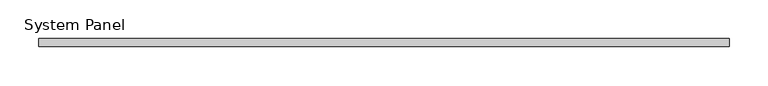
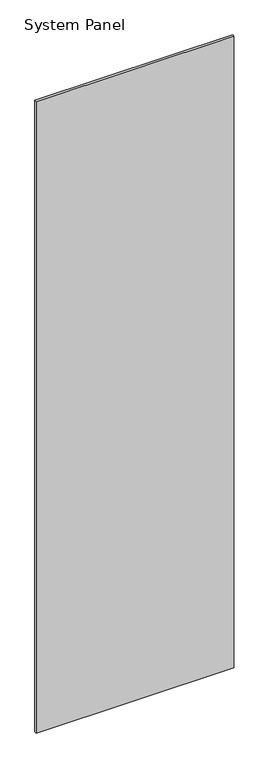
"""IFC4 building model written with IfcOpenShell, lengths in millimetres: plate geometry, System Panel."""

import ifcopenshell
import ifcopenshell.guid

model = None  # the IFC model being written
_history = None  # IfcOwnerHistory: only IFC2X3 demands one
_inside = {}  # id of a spatial element -> (the spatial element, [elements in it])
_under = {}  # id of a project, library or spatial element -> (it, [spatial elements below it])
_declared = {}  # id of a project -> (the project, [libraries it declares])
_typed = {}  # id of a type object -> (the type object, [elements of that type])
_made_of = {}  # id of a material, layer set ... -> (it, [elements and type objects made of it])


def new_model(schema):
    """Start an empty IFC model of exactly this schema.

    Asked for "IFC4X3", IfcOpenShell would pick the latest addendum, in which some entities
    have other attributes; the version numbers below select the first issue.
    IFC2X3 requires an IfcOwnerHistory on every rooted entity: one is made here for all.
    """
    global model, _history
    if schema == "IFC4X3":
        model = ifcopenshell.file(schema_version=(4, 3, 0, 0))
    else:
        model = ifcopenshell.file(schema=schema)
    _inside.clear()
    _under.clear()
    _declared.clear()
    _typed.clear()
    _made_of.clear()
    _history = None
    if model.schema == "IFC2X3":
        org = make("IfcOrganization", Name="unknown")
        user = make(
            "IfcPersonAndOrganization",
            ThePerson=make("IfcPerson", FamilyName="unknown"),
            TheOrganization=org,
        )
        app = make(
            "IfcApplication",
            ApplicationDeveloper=org,
            Version="unknown",
            ApplicationFullName="unknown",
            ApplicationIdentifier="unknown",
        )
        _history = make(
            "IfcOwnerHistory",
            OwningUser=user,
            OwningApplication=app,
            ChangeAction="ADDED",
            CreationDate=0,
        )
    return model


def make(cls, **values):
    """One entity of the class cls with the attributes given. An attribute that is None is left unset."""
    return model.create_entity(
        cls, **{name: value for name, value in values.items() if value is not None}
    )


def rooted(cls, **values):
    """An entity with a GlobalId (a new one), such as an element, a storey or a relation."""
    return make(cls, GlobalId=ifcopenshell.guid.new(), OwnerHistory=_history, **values)


def si_unit(unit_type, name, prefix=None):
    """IfcSIUnit, for example si_unit("LENGTHUNIT", "METRE", prefix="MILLI")."""
    return make("IfcSIUnit", UnitType=unit_type, Prefix=prefix, Name=name)


def assignment(units):
    """IfcUnitAssignment: the units of a project."""
    return None if units is None else make("IfcUnitAssignment", Units=units)


def point(xyz):
    """IfcCartesianPoint."""
    return None if xyz is None else make("IfcCartesianPoint", Coordinates=xyz)


def direction(xyz):
    """IfcDirection."""
    return None if xyz is None else make("IfcDirection", DirectionRatios=xyz)


def frame(location, z_axis=None, x_axis=None):
    """IfcAxis2Placement3D, a coordinate frame: its origin and axes. An axis left out is left unset."""
    return make(
        "IfcAxis2Placement3D",
        Location=point(location),
        Axis=direction(z_axis),
        RefDirection=direction(x_axis),
    )


def origin():
    """The frame at (0, 0, 0) with its axes left unset."""
    return frame((0.0, 0.0, 0.0))


def origin_with_axes():
    """The frame at (0, 0, 0) with the z axis (0, 0, 1) and the x axis (1, 0, 0) written out."""
    return frame((0.0, 0.0, 0.0), z_axis=(0.0, 0.0, 1.0), x_axis=(1.0, 0.0, 0.0))


def place(relative_to, where):
    """IfcLocalPlacement: puts the frame where relative to a parent placement (None: the world)."""
    return make(
        "IfcLocalPlacement", PlacementRelTo=relative_to, RelativePlacement=where
    )


def context(
    kind, dimensions, precision=None, world=None, true_north=None, identifier=None
):
    """IfcGeometricRepresentationContext, for example the 3D "Model" context."""
    return make(
        "IfcGeometricRepresentationContext",
        ContextIdentifier=identifier,
        ContextType=kind,
        CoordinateSpaceDimension=dimensions,
        Precision=precision,
        WorldCoordinateSystem=world,
        TrueNorth=true_north,
    )


def project(units=None, contexts=None):
    """IfcProject with its units and contexts."""
    return rooted(
        "IfcProject",
        Name="project",
        RepresentationContexts=contexts,
        UnitsInContext=assignment(units),
    )


def spatial(cls, under=None, at=None, **own):
    """A site, building, storey or space (cls), placed at a placement, below another one or the project."""
    s = rooted(cls, ObjectPlacement=at, **own)
    if under is not None:
        _under.setdefault(under.id(), (under, []))[1].append(s)
    return s


def polyline(points):
    """IfcPolyline through the points."""
    return make("IfcPolyline", Points=[point(p) for p in points])


def outline(outer, holes=None, kind="AREA"):
    """IfcArbitraryClosedProfileDef: a profile drawn as a closed curve; with holes, ...WithVoids."""
    if holes is None:
        return make("IfcArbitraryClosedProfileDef", ProfileType=kind, OuterCurve=outer)
    return make(
        "IfcArbitraryProfileDefWithVoids",
        ProfileType=kind,
        OuterCurve=outer,
        InnerCurves=holes,
    )


def extrude(swept, where, along, depth):
    """IfcExtrudedAreaSolid: the profile swept, set in the frame where, extruded along a direction by depth."""
    return make(
        "IfcExtrudedAreaSolid",
        SweptArea=swept,
        Position=where,
        ExtrudedDirection=direction(along),
        Depth=depth,
    )


def shape(context_of_items, identifier, shape_type, items):
    """IfcShapeRepresentation: the items that make up one representation, for example the "Body"."""
    return make(
        "IfcShapeRepresentation",
        ContextOfItems=context_of_items,
        RepresentationIdentifier=identifier,
        RepresentationType=shape_type,
        Items=items,
    )


def source(mapping_origin, context_of_items, identifier, shape_type, items):
    """IfcRepresentationMap: a shape defined once, which mapped items show again and again."""
    return make(
        "IfcRepresentationMap",
        MappingOrigin=mapping_origin,
        MappedRepresentation=shape(context_of_items, identifier, shape_type, items),
    )


def transform(
    local_origin,
    x_axis=None,
    y_axis=None,
    z_axis=None,
    scale=None,
    scale2=None,
    scale3=None,
    uniform=True,
):
    """IfcCartesianTransformationOperator3D, or its non-uniform kind. x_axis, y_axis, z_axis: its Axis1, 2, 3."""
    if uniform:
        return make(
            "IfcCartesianTransformationOperator3D",
            Axis1=direction(x_axis),
            Axis2=direction(y_axis),
            LocalOrigin=point(local_origin),
            Scale=scale,
            Axis3=direction(z_axis),
        )
    return make(
        "IfcCartesianTransformationOperator3DnonUniform",
        Axis1=direction(x_axis),
        Axis2=direction(y_axis),
        LocalOrigin=point(local_origin),
        Scale=scale,
        Axis3=direction(z_axis),
        Scale2=scale2,
        Scale3=scale3,
    )


def mapped(mapping_source, mapping_target):
    """IfcMappedItem: shows the shape of a source again, moved by a transform."""
    return make(
        "IfcMappedItem", MappingSource=mapping_source, MappingTarget=mapping_target
    )


def made_of(thing, what):
    """Note that an element or type object is made of a material, layer set ...; save() writes the relation."""
    if what is not None:
        _made_of.setdefault(what.id(), (what, []))[1].append(thing)
    return thing


def element(
    cls,
    number,
    at=None,
    inside=None,
    cuts=None,
    type_object=None,
    material=None,
    context=None,
    identifier="Body",
    shape_type=None,
    held_by="IfcProductDefinitionShape",
    body=None,
    shapes=None,
    **own,
):
    """One element of the class cls, such as IfcWall. Its Tag is "e" and its number.

    at: its placement. inside: the storey or other place that contains it. cuts: it is an
    opening in that element (IfcRelVoidsElement). A single representation is given by context,
    identifier, shape_type and body (its items); several are given by shapes. held_by: the class
    of the entity that holds the representations. save() writes the other relations.
    """
    e = rooted(cls, Tag="e%d" % number, ObjectPlacement=at, **own)
    if body is not None:
        shapes = [shape(context, identifier, shape_type, body)]
    if shapes is not None:
        e.Representation = make(held_by, Representations=shapes)
    if inside is not None:
        _inside.setdefault(inside.id(), (inside, []))[1].append(e)
    if cuts is not None:
        rooted(
            "IfcRelVoidsElement", RelatingBuildingElement=cuts, RelatedOpeningElement=e
        )
    if type_object is not None:
        _typed.setdefault(type_object.id(), (type_object, []))[1].append(e)
    return made_of(e, material)


def aggregate(whole, parts):
    """IfcRelAggregates: a whole, such as a stair, and the parts it consists of."""
    return rooted("IfcRelAggregates", RelatingObject=whole, RelatedObjects=parts)


def save(model, path):
    """Write the relations noted so far, then the file.

    IfcRelAggregates (storeys below a building ...), IfcRelContainedInSpatialStructure (elements
    in a storey), IfcRelDefinesByType, IfcRelAssociatesMaterial and IfcRelDeclares: one each for
    every whole, place, type object, material and project.
    """
    for whole, parts in _under.values():
        aggregate(whole, parts)
    for where, things in _inside.values():
        rooted(
            "IfcRelContainedInSpatialStructure",
            RelatedElements=things,
            RelatingStructure=where,
        )
    for kind, things in _typed.values():
        rooted("IfcRelDefinesByType", RelatedObjects=things, RelatingType=kind)
    for what, things in _made_of.values():
        rooted("IfcRelAssociatesMaterial", RelatedObjects=things, RelatingMaterial=what)
    for by, libraries in _declared.values():
        rooted("IfcRelDeclares", RelatingContext=by, RelatedDefinitions=libraries)
    model.write(path)


def system_panel_396966ff(model_context):
    return source(origin(), model_context, "Body", "SweptSolid", [
        extrude(outline(polyline([(442.805, -5.0), (-442.805, -5.0), (-442.805, 5.0), (442.805, 5.0), (442.805, -5.0)])), origin_with_axes(), (0.0, 0.0, 1.0), 2991.6097048),
    ])


if __name__ == "__main__":
    model = new_model("IFC4")
    model_context = context("Model", 3, world=origin())
    ifc_project = project(units=[si_unit("LENGTHUNIT", "METRE", prefix="MILLI")], contexts=[model_context])
    site = spatial("IfcSite", under=ifc_project)
    building = spatial("IfcBuilding", under=site)
    placement = place(None, origin())
    system_panel_shape = system_panel_396966ff(model_context)
    element("IfcPlate", 1, ObjectType="System Panel", at=placement, inside=building, context=model_context, shape_type="MappedRepresentation", body=[
        mapped(system_panel_shape, transform((0.0, 0.0, 0.0), x_axis=(1.0, 0.0, 0.0), y_axis=(0.0, 1.0, 0.0), z_axis=(0.0, 0.0, 1.0))),
    ])
    save(model, "model.ifc")
